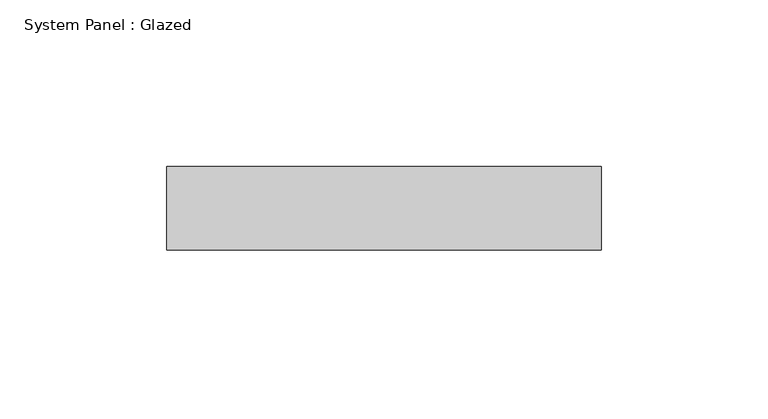
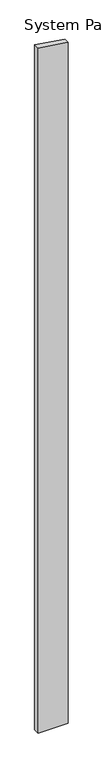
"""IFC4 building model written with IfcOpenShell, lengths in millimetres: plate geometry, System Panel : Glazed."""

from ifc_helpers import new_model, si_unit, frame, origin, place, context, project, spatial, polyline, outline, extrude, source, transform, mapped, element, save


def system_panel_glazed_4f574cf7(model_context):
    return source(origin(), model_context, "Body", "SweptSolid", [
        extrude(outline(polyline([(0.0, -65.0), (0.0, 65.0), (3104.6316379, 65.0), (3123.8780779, -65.0), (0.0, -65.0)])), frame((0.0, 24.5, 0.0), z_axis=(0.0, 1.0, 0.0), x_axis=(0.0, 0.0, 1.0)), (0.0, 0.0, 1.0), 25.0),
    ])


if __name__ == "__main__":
    model = new_model("IFC4")
    model_context = context("Model", 3, world=origin())
    ifc_project = project(units=[si_unit("LENGTHUNIT", "METRE", prefix="MILLI")], contexts=[model_context])
    site = spatial("IfcSite", under=ifc_project)
    building = spatial("IfcBuilding", under=site)
    placement = place(None, origin())
    system_panel_glazed_shape = system_panel_glazed_4f574cf7(model_context)
    element("IfcPlate", 1, ObjectType="System Panel : Glazed", at=placement, inside=building, context=model_context, shape_type="MappedRepresentation", body=[
        mapped(system_panel_glazed_shape, transform((0.0, 0.0, 0.0), x_axis=(1.0, 0.0, 0.0), y_axis=(0.0, 1.0, 0.0), z_axis=(0.0, 0.0, 1.0))),
    ])
    save(model, "model.ifc")
